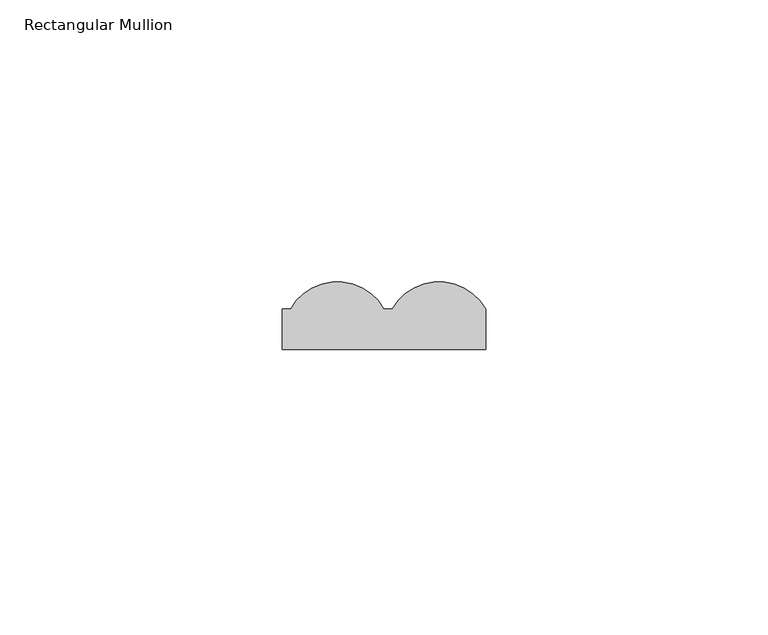
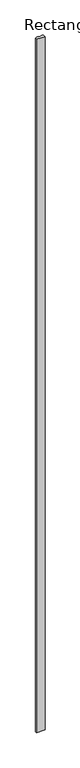
"""IFC4 building model written with IfcOpenShell, lengths in millimetres: member geometry, Rectangular Mullion."""

import ifcopenshell
import ifcopenshell.guid

model = None  # the IFC model being written
_history = None  # IfcOwnerHistory: only IFC2X3 demands one
_inside = {}  # id of a spatial element -> (the spatial element, [elements in it])
_under = {}  # id of a project, library or spatial element -> (it, [spatial elements below it])
_declared = {}  # id of a project -> (the project, [libraries it declares])
_typed = {}  # id of a type object -> (the type object, [elements of that type])
_made_of = {}  # id of a material, layer set ... -> (it, [elements and type objects made of it])


def new_model(schema):
    """Start an empty IFC model of exactly this schema.

    Asked for "IFC4X3", IfcOpenShell would pick the latest addendum, in which some entities
    have other attributes; the version numbers below select the first issue.
    IFC2X3 requires an IfcOwnerHistory on every rooted entity: one is made here for all.
    """
    global model, _history
    if schema == "IFC4X3":
        model = ifcopenshell.file(schema_version=(4, 3, 0, 0))
    else:
        model = ifcopenshell.file(schema=schema)
    _inside.clear()
    _under.clear()
    _declared.clear()
    _typed.clear()
    _made_of.clear()
    _history = None
    if model.schema == "IFC2X3":
        org = make("IfcOrganization", Name="unknown")
        user = make(
            "IfcPersonAndOrganization",
            ThePerson=make("IfcPerson", FamilyName="unknown"),
            TheOrganization=org,
        )
        app = make(
            "IfcApplication",
            ApplicationDeveloper=org,
            Version="unknown",
            ApplicationFullName="unknown",
            ApplicationIdentifier="unknown",
        )
        _history = make(
            "IfcOwnerHistory",
            OwningUser=user,
            OwningApplication=app,
            ChangeAction="ADDED",
            CreationDate=0,
        )
    return model


def make(cls, **values):
    """One entity of the class cls with the attributes given. An attribute that is None is left unset."""
    return model.create_entity(
        cls, **{name: value for name, value in values.items() if value is not None}
    )


def rooted(cls, **values):
    """An entity with a GlobalId (a new one), such as an element, a storey or a relation."""
    return make(cls, GlobalId=ifcopenshell.guid.new(), OwnerHistory=_history, **values)


def si_unit(unit_type, name, prefix=None):
    """IfcSIUnit, for example si_unit("LENGTHUNIT", "METRE", prefix="MILLI")."""
    return make("IfcSIUnit", UnitType=unit_type, Prefix=prefix, Name=name)


def assignment(units):
    """IfcUnitAssignment: the units of a project."""
    return None if units is None else make("IfcUnitAssignment", Units=units)


def point(xyz):
    """IfcCartesianPoint."""
    return None if xyz is None else make("IfcCartesianPoint", Coordinates=xyz)


def direction(xyz):
    """IfcDirection."""
    return None if xyz is None else make("IfcDirection", DirectionRatios=xyz)


def frame(location, z_axis=None, x_axis=None):
    """IfcAxis2Placement3D, a coordinate frame: its origin and axes. An axis left out is left unset."""
    return make(
        "IfcAxis2Placement3D",
        Location=point(location),
        Axis=direction(z_axis),
        RefDirection=direction(x_axis),
    )


def frame_2d(location, x_axis=None):
    """IfcAxis2Placement2D, a coordinate frame in the plane: its origin and x axis."""
    return make(
        "IfcAxis2Placement2D", Location=point(location), RefDirection=direction(x_axis)
    )


def origin():
    """The frame at (0, 0, 0) with its axes left unset."""
    return frame((0.0, 0.0, 0.0))


def place(relative_to, where):
    """IfcLocalPlacement: puts the frame where relative to a parent placement (None: the world)."""
    return make(
        "IfcLocalPlacement", PlacementRelTo=relative_to, RelativePlacement=where
    )


def context(
    kind, dimensions, precision=None, world=None, true_north=None, identifier=None
):
    """IfcGeometricRepresentationContext, for example the 3D "Model" context."""
    return make(
        "IfcGeometricRepresentationContext",
        ContextIdentifier=identifier,
        ContextType=kind,
        CoordinateSpaceDimension=dimensions,
        Precision=precision,
        WorldCoordinateSystem=world,
        TrueNorth=true_north,
    )


def project(units=None, contexts=None):
    """IfcProject with its units and contexts."""
    return rooted(
        "IfcProject",
        Name="project",
        RepresentationContexts=contexts,
        UnitsInContext=assignment(units),
    )


def spatial(cls, under=None, at=None, **own):
    """A site, building, storey or space (cls), placed at a placement, below another one or the project."""
    s = rooted(cls, ObjectPlacement=at, **own)
    if under is not None:
        _under.setdefault(under.id(), (under, []))[1].append(s)
    return s


def polyline(points):
    """IfcPolyline through the points."""
    return make("IfcPolyline", Points=[point(p) for p in points])


def circle_curve(where, radius):
    """IfcCircle in the frame where."""
    return make("IfcCircle", Position=where, Radius=radius)


def trimmed(basis, trim1, trim2, sense, master):
    """IfcTrimmedCurve: the piece of a basis curve between two trims."""
    return make(
        "IfcTrimmedCurve",
        BasisCurve=basis,
        Trim1=trim1,
        Trim2=trim2,
        SenseAgreement=sense,
        MasterRepresentation=master,
    )


def segment(curve, same_sense, transition):
    """IfcCompositeCurveSegment."""
    return make(
        "IfcCompositeCurveSegment",
        Transition=transition,
        SameSense=same_sense,
        ParentCurve=curve,
    )


def composite_curve(segments, self_intersect=None):
    """IfcCompositeCurve: segments joined end to end."""
    return make("IfcCompositeCurve", Segments=segments, SelfIntersect=self_intersect)


def outline(outer, holes=None, kind="AREA"):
    """IfcArbitraryClosedProfileDef: a profile drawn as a closed curve; with holes, ...WithVoids."""
    if holes is None:
        return make("IfcArbitraryClosedProfileDef", ProfileType=kind, OuterCurve=outer)
    return make(
        "IfcArbitraryProfileDefWithVoids",
        ProfileType=kind,
        OuterCurve=outer,
        InnerCurves=holes,
    )


def extrude(swept, where, along, depth):
    """IfcExtrudedAreaSolid: the profile swept, set in the frame where, extruded along a direction by depth."""
    return make(
        "IfcExtrudedAreaSolid",
        SweptArea=swept,
        Position=where,
        ExtrudedDirection=direction(along),
        Depth=depth,
    )


def shape(context_of_items, identifier, shape_type, items):
    """IfcShapeRepresentation: the items that make up one representation, for example the "Body"."""
    return make(
        "IfcShapeRepresentation",
        ContextOfItems=context_of_items,
        RepresentationIdentifier=identifier,
        RepresentationType=shape_type,
        Items=items,
    )


def source(mapping_origin, context_of_items, identifier, shape_type, items):
    """IfcRepresentationMap: a shape defined once, which mapped items show again and again."""
    return make(
        "IfcRepresentationMap",
        MappingOrigin=mapping_origin,
        MappedRepresentation=shape(context_of_items, identifier, shape_type, items),
    )


def transform(
    local_origin,
    x_axis=None,
    y_axis=None,
    z_axis=None,
    scale=None,
    scale2=None,
    scale3=None,
    uniform=True,
):
    """IfcCartesianTransformationOperator3D, or its non-uniform kind. x_axis, y_axis, z_axis: its Axis1, 2, 3."""
    if uniform:
        return make(
            "IfcCartesianTransformationOperator3D",
            Axis1=direction(x_axis),
            Axis2=direction(y_axis),
            LocalOrigin=point(local_origin),
            Scale=scale,
            Axis3=direction(z_axis),
        )
    return make(
        "IfcCartesianTransformationOperator3DnonUniform",
        Axis1=direction(x_axis),
        Axis2=direction(y_axis),
        LocalOrigin=point(local_origin),
        Scale=scale,
        Axis3=direction(z_axis),
        Scale2=scale2,
        Scale3=scale3,
    )


def mapped(mapping_source, mapping_target):
    """IfcMappedItem: shows the shape of a source again, moved by a transform."""
    return make(
        "IfcMappedItem", MappingSource=mapping_source, MappingTarget=mapping_target
    )


def made_of(thing, what):
    """Note that an element or type object is made of a material, layer set ...; save() writes the relation."""
    if what is not None:
        _made_of.setdefault(what.id(), (what, []))[1].append(thing)
    return thing


def element(
    cls,
    number,
    at=None,
    inside=None,
    cuts=None,
    type_object=None,
    material=None,
    context=None,
    identifier="Body",
    shape_type=None,
    held_by="IfcProductDefinitionShape",
    body=None,
    shapes=None,
    **own,
):
    """One element of the class cls, such as IfcWall. Its Tag is "e" and its number.

    at: its placement. inside: the storey or other place that contains it. cuts: it is an
    opening in that element (IfcRelVoidsElement). A single representation is given by context,
    identifier, shape_type and body (its items); several are given by shapes. held_by: the class
    of the entity that holds the representations. save() writes the other relations.
    """
    e = rooted(cls, Tag="e%d" % number, ObjectPlacement=at, **own)
    if body is not None:
        shapes = [shape(context, identifier, shape_type, body)]
    if shapes is not None:
        e.Representation = make(held_by, Representations=shapes)
    if inside is not None:
        _inside.setdefault(inside.id(), (inside, []))[1].append(e)
    if cuts is not None:
        rooted(
            "IfcRelVoidsElement", RelatingBuildingElement=cuts, RelatedOpeningElement=e
        )
    if type_object is not None:
        _typed.setdefault(type_object.id(), (type_object, []))[1].append(e)
    return made_of(e, material)


def aggregate(whole, parts):
    """IfcRelAggregates: a whole, such as a stair, and the parts it consists of."""
    return rooted("IfcRelAggregates", RelatingObject=whole, RelatedObjects=parts)


def save(model, path):
    """Write the relations noted so far, then the file.

    IfcRelAggregates (storeys below a building ...), IfcRelContainedInSpatialStructure (elements
    in a storey), IfcRelDefinesByType, IfcRelAssociatesMaterial and IfcRelDeclares: one each for
    every whole, place, type object, material and project.
    """
    for whole, parts in _under.values():
        aggregate(whole, parts)
    for where, things in _inside.values():
        rooted(
            "IfcRelContainedInSpatialStructure",
            RelatedElements=things,
            RelatingStructure=where,
        )
    for kind, things in _typed.values():
        rooted("IfcRelDefinesByType", RelatedObjects=things, RelatingType=kind)
    for what, things in _made_of.values():
        rooted("IfcRelAssociatesMaterial", RelatedObjects=things, RelatingMaterial=what)
    for by, libraries in _declared.values():
        rooted("IfcRelDeclares", RelatingContext=by, RelatedDefinitions=libraries)
    model.write(path)


def rectangular_mullion_7f887e07(model_context):
    return source(origin(), model_context, "Body", "SweptSolid", [
        extrude(outline(composite_curve([segment(polyline([(0.0, 7.1682556), (1.4522038, 7.1682556)]), True, "CONTINUOUS"), segment(trimmed(circle_curve(frame_2d((9.7261019, 2.5)), 9.5), [point((1.4522038, 7.1682556))], [point((18.0, 7.1682556))], False, "CARTESIAN"), True, "CONTINUOUS"), segment(polyline([(18.0, 7.1682556), (18.0, 0.0), (-18.0, 0.0), (-18.0, 7.1682556), (-16.5477962, 7.1682556)]), True, "CONTINUOUS"), segment(trimmed(circle_curve(frame_2d((-8.2738981, 2.5)), 9.5), [point((-16.5477962, 7.1682556))], [point((0.0, 7.1682556))], False, "CARTESIAN"), True, "CONTINUOUS")], self_intersect=False)), frame((0.0, 0.0, -3000.0), z_axis=(0.0, 0.0, 1.0), x_axis=(1.0, 0.0, 0.0)), (0.0, 0.0, 1.0), 3000.0),
    ])


if __name__ == "__main__":
    model = new_model("IFC4")
    model_context = context("Model", 3, world=origin())
    ifc_project = project(units=[si_unit("LENGTHUNIT", "METRE", prefix="MILLI")], contexts=[model_context])
    site = spatial("IfcSite", under=ifc_project)
    building = spatial("IfcBuilding", under=site)
    placement = place(None, origin())
    rectangular_mullion_shape = rectangular_mullion_7f887e07(model_context)
    element("IfcMember", 1, ObjectType="Rectangular Mullion", at=placement, inside=building, context=model_context, shape_type="MappedRepresentation", body=[
        mapped(rectangular_mullion_shape, transform((0.0, 0.0, 0.0), x_axis=(1.0, 0.0, 0.0), y_axis=(0.0, 1.0, 0.0), z_axis=(0.0, 0.0, 1.0))),
    ])
    save(model, "model.ifc")
